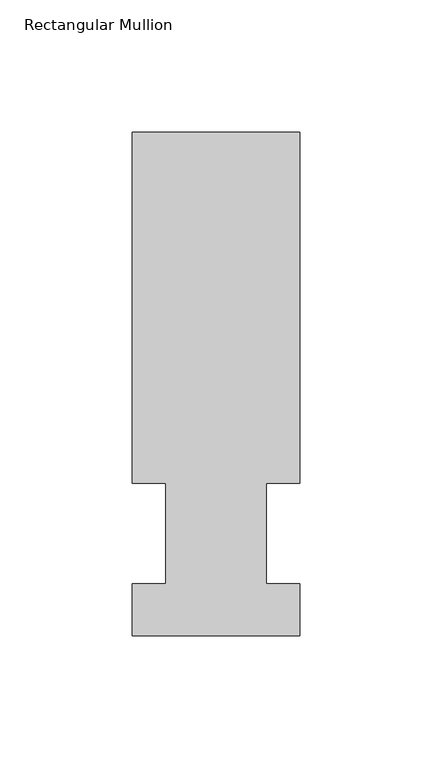
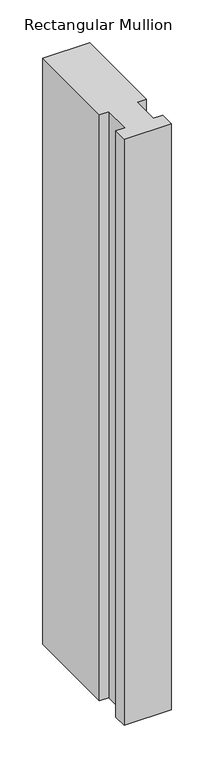
"""IFC4 building model written with IfcOpenShell, lengths in millimetres: member geometry, Rectangular Mullion."""

from ifc_helpers import new_model, si_unit, frame, origin, place, context, project, spatial, polyline, outline, extrude, source, transform, mapped, element, save


def rectangular_mullion_1b12dcdd(model_context):
    return source(origin(), model_context, "Body", "SweptSolid", [
        extrude(outline(polyline([(31.75, 190.5896937), (31.75, 57.6460937), (19.05, 57.6460937), (19.05, 19.5460937), (31.75, 19.5460937), (31.75, 0.0134938), (-31.75, 0.0134938), (-31.75, 19.5460937), (-19.05, 19.5460937), (-19.05, 57.6460937), (-31.75, 57.6460937), (-31.75, 190.5896937), (31.75, 190.5896937)])), frame((0.0, 0.0, -838.2), z_axis=(0.0, 0.0, 1.0), x_axis=(1.0, 0.0, 0.0)), (0.0, 0.0, 1.0), 838.2),
    ])


if __name__ == "__main__":
    model = new_model("IFC4")
    model_context = context("Model", 3, world=origin())
    ifc_project = project(units=[si_unit("LENGTHUNIT", "METRE", prefix="MILLI")], contexts=[model_context])
    site = spatial("IfcSite", under=ifc_project)
    building = spatial("IfcBuilding", under=site)
    placement = place(None, origin())
    rectangular_mullion_shape = rectangular_mullion_1b12dcdd(model_context)
    element("IfcMember", 1, ObjectType="Rectangular Mullion", at=placement, inside=building, context=model_context, shape_type="MappedRepresentation", body=[
        mapped(rectangular_mullion_shape, transform((0.0, 0.0, 0.0), x_axis=(1.0, 0.0, 0.0), y_axis=(0.0, 1.0, 0.0), z_axis=(0.0, 0.0, 1.0))),
    ])
    save(model, "model.ifc")
